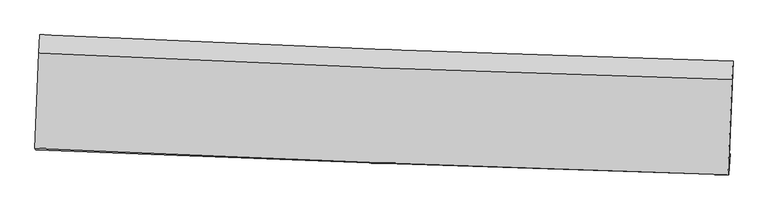
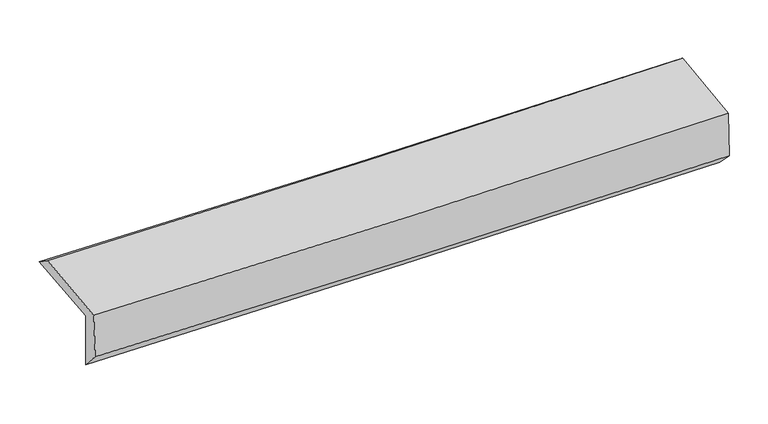
"""IFC4 building model written with IfcOpenShell, lengths in millimetres: proxy geometry."""

from ifc_helpers import new_model, si_unit, frame, origin, place, context, project, spatial, source, transform, mapped, element, save
from ifc_brep_helpers import plane_surface, spline_curve, spline_surface, advanced_brep


def generic_models_e9f22cd9(model_context):
    return source(origin(), model_context, "Body", "AdvancedBrep", [
        advanced_brep(
        [(-2411.2465633, -1724.1420354, 2006.4768484), (-2383.9984368, -1054.0680098, 2029.3628502), (2408.1998648, -1236.9765408, 2103.8486685), (2380.3500776, -1898.2076686, 2072.722078), (-2403.5710281, -1707.0372442, 1593.8923849), (2387.8866713, -1879.4401259, 1673.0792218), (-2412.0805006, -1850.3026142, 1747.8552866), (2379.2404871, -2024.8899259, 1815.8547034), (-2417.2648203, -1839.5460943, 2080.9917208), (2373.4847126, -2023.2389886, 2161.7878568), (-2390.7298543, -1181.6278426, 2116.4172525), (2401.0366446, -1365.2895712, 2202.2377299)],
        [
            (0, 1),
            (1, 2, spline_curve(3, [(-2383.9984368, -1054.0680098, 2029.3628502), (-1585.403874207, -1091.05450038, 2037.040101496), (-786.702916798, -1124.791739117, 2047.087034222), (810.696574581, -1185.759498635, 2071.916917104), (1609.395050767, -1212.991770314, 2086.698590453), (2408.1998648, -1236.9765408, 2103.8486685)], [4, 2, 4], [0.0, 7.8681956183771895, 15.734271393987825])),
            (2, 3),
            (3, 0, spline_curve(3, [(2380.3500776, -1898.2076686, 2072.722078), (1581.858909441, -1872.767243035, 2054.206100469), (783.367401877, -1845.543755424, 2039.427916024), (-813.831478066, -1787.522838749, 2017.344158081), (-1612.538851071, -1756.724448782, 2010.040599159), (-2411.2465633, -1724.1420354, 2006.4768484)], [4, 2, 4], [0.0, 7.866075775610636, 15.734271393987825])),
            (4, 0),
            (3, 5),
            (5, 4, spline_curve(3, [(2387.8866713, -1879.4401259, 1673.0792218), (1589.368193718, -1853.722510422, 1656.719236955), (790.874605059, -1826.49893441, 1641.941017613), (-806.27797461, -1769.032119216, 1615.544552451), (-1604.93695254, -1738.788067771, 1603.927159858), (-2403.5710281, -1707.0372442, 1593.8923849)], [4, 2, 4], [0.0, 7.865167843734516, 15.732455285555407])),
            (6, 4),
            (5, 7),
            (7, 6, spline_curve(3, [(2379.2404871, -2024.8899259, 1815.8547034), (1580.787440722, -1999.53997857, 1797.63238909), (782.337961735, -1972.318274891, 1782.85491318), (-814.769035945, -1914.123513061, 1760.186583767), (-1613.426553056, -1883.149446369, 1752.29758757), (-2412.0805006, -1850.3026142, 1747.8552866)], [4, 2, 4], [0.0, 7.864974945551083, 15.732069437204066])),
            (8, 6),
            (7, 9),
            (9, 8, spline_curve(3, [(2373.4847126, -2023.2389886, 2161.7878568), (1574.928878843, -1999.40570333, 2145.697339386), (776.475607953, -1972.18383861, 2130.9197994), (-820.440958507, -1910.954700327, 2103.987046411), (-1618.904198206, -1876.945600396, 2091.832540943), (-2417.2648203, -1839.5460943, 2080.9917208)], [4, 2, 4], [0.0, 7.864780221128258, 15.731679935881784])),
            (10, 8),
            (9, 11),
            (11, 10, spline_curve(3, [(2401.0366446, -1365.2895712, 2202.2377299), (1602.238229416, -1341.433607777, 2186.97731878), (803.578926904, -1314.202998744, 2172.196305602), (-793.676647932, -1252.984241591, 2143.58922163), (-1592.272844897, -1218.994274503, 2129.763408901), (-2390.7298543, -1181.6278426, 2116.4172525)], [4, 2, 4], [0.0, 7.865664758702048, 15.73344924940497])),
            (1, 10),
            (11, 2),
        ],
        [
            spline_surface(3, 3, [[(-2411.2465633, -1724.1420354, 2006.4768484), (-1612.538851022, -1756.72444878, 2010.040599265), (-813.831478158, -1787.52283881, 2017.344158001), (783.367401968, -1845.543755364, 2039.427916104), (1581.858909386, -1872.767243085, 2054.206100523), (2380.3500776, -1898.2076686, 2072.722078)], [(-2402.163854447, -1500.784026863, 2014.105515672), (-1603.493858751, -1534.834465948, 2019.040433369), (-804.788624338, -1566.612472181, 2027.258450079), (792.477126135, -1625.615669799, 2050.257583083), (1591.037623181, -1652.842085518, 2065.036930489), (2389.633339986, -1677.797292668, 2083.097608154)], [(-2393.081145653, -1277.426018337, 2021.734182928), (-1594.448866537, -1312.944483128, 2028.040267457), (-795.745770511, -1345.702105632, 2037.172742182), (801.586850307, -1405.687584313, 2061.087250088), (1600.216337019, -1432.916927946, 2075.867760494), (2398.916602414, -1457.386916732, 2093.473138346)], [(-2383.9984368, -1054.0680098, 2029.3628502), (-1585.403874265, -1091.054500296, 2037.040101561), (-786.702916691, -1124.791739003, 2047.08703426), (810.696574473, -1185.759498748, 2071.916917067), (1609.395050815, -1212.99177038, 2086.69859046), (2408.1998648, -1236.9765408, 2103.8486685)]], [4, 4], [4, 2, 4], [0.0, 2.173718808871848], [0.0, 7.8681956183771895, 15.734271393987825]),
            spline_surface(3, 3, [[(-2403.5710281, -1707.0372442, 1593.8923849), (-1604.936952603, -1738.78806786, 1603.927159809), (-806.277974718, -1769.032119085, 1615.544552551), (790.874605166, -1826.498934541, 1641.941017514), (1589.368193746, -1853.722510508, 1656.719237066), (2387.8866713, -1879.4401259, 1673.0792218)], [(-2406.129539825, -1712.738841273, 1731.420539389), (-1607.470918734, -1744.766861506, 1739.298306283), (-808.795809179, -1775.195692331, 1749.477754359), (788.372204119, -1832.847208153, 1774.436650369), (1586.865098976, -1860.070754678, 1789.214858227), (2385.374473417, -1885.695973444, 1806.293507209)], [(-2408.688051575, -1718.440438327, 1868.948693911), (-1610.004884891, -1750.745655134, 1874.66945279), (-811.313643697, -1781.359265564, 1883.410956193), (785.869803015, -1839.195481752, 1906.932283249), (1584.362004156, -1866.418998916, 1921.710479362), (2382.862275483, -1891.951821056, 1939.507792591)], [(-2411.2465633, -1724.1420354, 2006.4768484), (-1612.538851022, -1756.72444878, 2010.040599265), (-813.831478158, -1787.52283881, 2017.344158001), (783.367401968, -1845.543755364, 2039.427916104), (1581.858909386, -1872.767243085, 2054.206100523), (2380.3500776, -1898.2076686, 2072.722078)]], [4, 4], [4, 2, 4], [0.0, 1.312844906607655], [0.0, 7.867287441820891, 15.732455285555407]),
            spline_surface(3, 3, [[(-2412.0805006, -1850.3026142, 1747.8552866), (-1613.426552993, -1883.14944648, 1752.297587587), (-814.769036016, -1914.123513192, 1760.186583862), (782.337961806, -1972.31827476, 1782.854913086), (1580.787440732, -1999.539978648, 1797.632389086), (2379.2404871, -2024.8899259, 1815.8547034)], [(-2409.244009783, -1802.547490838, 1696.53431937), (-1610.596686213, -1835.028986911, 1702.84077833), (-811.938682238, -1865.759715171, 1711.972573428), (785.183509605, -1923.711828035, 1735.883614564), (1583.647691722, -1950.934155943, 1750.661338423), (2382.122548486, -1976.406659242, 1768.26287621)], [(-2406.407518917, -1754.792367562, 1645.21335213), (-1607.766819383, -1786.908527428, 1653.383969065), (-809.108328496, -1817.395917106, 1663.758562985), (788.029057367, -1875.105381266, 1688.912316035), (1586.507942756, -1902.328333213, 1703.690287729), (2385.004609914, -1927.923392558, 1720.67104899)], [(-2403.5710281, -1707.0372442, 1593.8923849), (-1604.936952603, -1738.78806786, 1603.927159809), (-806.277974718, -1769.032119085, 1615.544552551), (790.874605166, -1826.498934541, 1641.941017514), (1589.368193746, -1853.722510508, 1656.719237066), (2387.8866713, -1879.4401259, 1673.0792218)]], [4, 4], [4, 2, 4], [0.0, 0.6692866035880548], [0.0, 7.867094491652983, 15.732069437204066]),
            spline_surface(3, 3, [[(-2417.2648203, -1839.5460943, 2080.9917208), (-1618.904198276, -1876.945600443, 2091.832540891), (-820.440958404, -1910.9547004, 2103.987046347), (776.47560785, -1972.183838537, 2130.919799464), (1574.928878944, -1999.405703337, 2145.697339312), (2373.4847126, -2023.2389886, 2161.7878568)], [(-2415.536713736, -1843.131600941, 1969.946242735), (-1617.078316518, -1879.01354913, 1978.654223124), (-818.550317613, -1912.010971328, 1989.386892194), (778.42972583, -1972.228650609, 2014.898170679), (1576.881732869, -1999.450461761, 2029.675689219), (2375.403304095, -2023.78930102, 2046.476805649)], [(-2413.808607164, -1846.717107559, 1858.900764665), (-1615.252434751, -1881.081497793, 1865.475905354), (-816.659676807, -1913.067242263, 1874.786738015), (780.383843826, -1972.273462688, 1898.87654187), (1578.834586807, -1999.495220224, 1913.654039179), (2377.321895605, -2024.33961348, 1931.165754551)], [(-2412.0805006, -1850.3026142, 1747.8552866), (-1613.426552993, -1883.14944648, 1752.297587587), (-814.769036016, -1914.123513192, 1760.186583862), (782.337961806, -1972.31827476, 1782.854913086), (1580.787440732, -1999.539978648, 1797.632389086), (2379.2404871, -2024.8899259, 1815.8547034)]], [4, 4], [4, 2, 4], [0.0, 1.1351184809398451], [0.0, 7.866899714753527, 15.731679935881784]),
            spline_surface(3, 3, [[(-2390.7298543, -1181.6278426, 2116.4172525), (-1592.272844862, -1218.994274435, 2129.763408829), (-793.676647829, -1252.984241622, 2143.589221506), (803.578926801, -1314.202998714, 2172.196305726), (1602.238229387, -1341.433607696, 2186.977318854), (2401.0366446, -1365.2895712, 2202.2377299)], [(-2399.574842966, -1400.933926511, 2104.608741941), (-1601.149962666, -1438.311383116, 2117.119786191), (-802.598084705, -1472.30772789, 2130.388496439), (794.544487132, -1533.529945331, 2158.437470291), (1593.135112567, -1560.757639576, 2173.217325699), (2391.852667261, -1584.606043667, 2188.754438892)], [(-2408.419831634, -1620.240010389, 2092.800231359), (-1610.027080472, -1657.628491762, 2104.47616353), (-811.519521527, -1691.631214131, 2117.187771415), (785.510047519, -1752.85689192, 2144.678634899), (1584.031995764, -1780.081671456, 2159.457332467), (2382.668689939, -1803.922516133, 2175.271147808)], [(-2417.2648203, -1839.5460943, 2080.9917208), (-1618.904198276, -1876.945600443, 2091.832540891), (-820.440958404, -1910.9547004, 2103.987046347), (776.47560785, -1972.183838537, 2130.919799464), (1574.928878944, -1999.405703337, 2145.697339312), (2373.4847126, -2023.2389886, 2161.7878568)]], [4, 4], [4, 2, 4], [0.0, 2.164590414491948], [0.0, 7.867784490702922, 15.73344924940497]),
            spline_surface(3, 3, [[(-2383.9984368, -1054.0680098, 2029.3628502), (-1585.403874265, -1091.054500296, 2037.040101561), (-786.702916691, -1124.791739003, 2047.08703426), (810.696574473, -1185.759498748, 2071.916917067), (1609.395050815, -1212.99177038, 2086.69859046), (2408.1998648, -1236.9765408, 2103.8486685)], [(-2386.242242642, -1096.587954074, 2058.380984293), (-1587.69353114, -1133.701091683, 2067.947870644), (-789.027493742, -1167.52257321, 2079.254430029), (808.324025244, -1228.573998737, 2105.343379973), (1607.009443694, -1255.805716177, 2120.124833245), (2405.812124755, -1279.747550959, 2136.645022287)], [(-2388.486048458, -1139.107898326, 2087.399118407), (-1589.983187988, -1176.347683048, 2098.855639746), (-791.352070777, -1210.253407415, 2111.421825737), (805.95147603, -1271.388498725, 2138.769842819), (1604.623836508, -1298.619661898, 2153.55107607), (2403.424384645, -1322.518561041, 2169.441376113)], [(-2390.7298543, -1181.6278426, 2116.4172525), (-1592.272844862, -1218.994274435, 2129.763408829), (-793.676647829, -1252.984241622, 2143.589221506), (803.578926801, -1314.202998714, 2172.196305726), (1602.238229387, -1341.433607696, 2186.977318854), (2401.0366446, -1365.2895712, 2202.2377299)]], [4, 4], [4, 2, 4], [0.0, 0.5310076541361222], [0.0, 7.8688645158499275, 15.735609008719496]),
            plane_surface(frame((2388.3664097, -1738.0071368, 2004.9217097), z_axis=(0.9989391689439189, -0.0428654323071737, 0.016825322069785865), x_axis=(0.0166359089092193, -0.004771702220079281, -0.9998502274804397))),
            plane_surface(frame((-2403.1485339, -1559.4539734, 1929.1660572), z_axis=(-0.9990083526392681, 0.04120045339854085, -0.016877025707473743), x_axis=(-0.040607134679722476, -0.9985929177887726, -0.03410637997807369))),
        ],
        [
            (0, [[1, 2, 3, 4]]),
            (1, [[5, -4, 6, 7]]),
            (2, [[8, -7, 9, 10]]),
            (3, [[11, -10, 12, 13]]),
            (4, [[14, -13, 15, 16]]),
            (5, [[17, -16, 18, -2]]),
            (6, [[-12, -9, -6, -3, -18, -15]]),
            (7, [[-1, -5, -8, -11, -14, -17]]),
        ],
    ),
    ])


if __name__ == "__main__":
    model = new_model("IFC4")
    model_context = context("Model", 3, world=origin())
    ifc_project = project(units=[si_unit("LENGTHUNIT", "METRE", prefix="MILLI")], contexts=[model_context])
    site = spatial("IfcSite", under=ifc_project)
    building = spatial("IfcBuilding", under=site)
    placement = place(None, origin())
    generic_models_shape = generic_models_e9f22cd9(model_context)
    element("IfcBuildingElementProxy", 1, Name="Generic Models", at=placement, inside=building, context=model_context, shape_type="MappedRepresentation", body=[
        mapped(generic_models_shape, transform((0.0, 0.0, 0.0), x_axis=(1.0, 0.0, 0.0), y_axis=(0.0, 1.0, 0.0), z_axis=(0.0, 0.0, 1.0))),
    ])
    save(model, "model.ifc")
